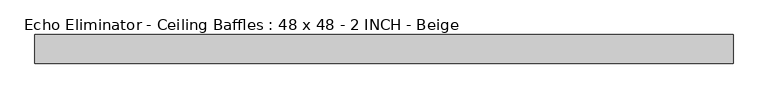
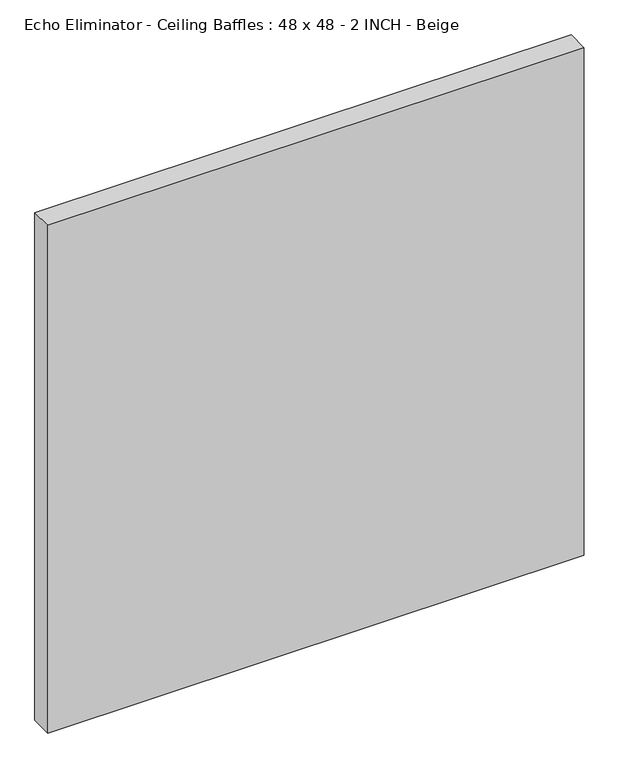
"""IFC4 building model written with IfcOpenShell, lengths in millimetres: proxy geometry, Echo Eliminator - Ceiling Baffles : 48 x 48 - 2 INCH - Beige."""

from ifc_helpers import new_model, si_unit, origin, origin_with_axes, place, context, project, spatial, polyline, outline, extrude, source, transform, mapped, element, save


def echo_eliminator_ceiling_baffles_48_x_48_2_inch_beige_3bc56a94(model_context):
    return source(origin(), model_context, "Body", "SweptSolid", [
        extrude(outline(polyline([(609.6, -50.8), (-609.6, -50.8), (-609.6, 0.0), (609.6, 0.0), (609.6, -50.8)])), origin_with_axes(), (0.0, 0.0, 1.0), 1219.2),
    ])


if __name__ == "__main__":
    model = new_model("IFC4")
    model_context = context("Model", 3, world=origin())
    ifc_project = project(units=[si_unit("LENGTHUNIT", "METRE", prefix="MILLI")], contexts=[model_context])
    site = spatial("IfcSite", under=ifc_project)
    building = spatial("IfcBuilding", under=site)
    placement = place(None, origin())
    echo_eliminator_ceiling_baffles_48_x_48_2_inch_beige_shape = echo_eliminator_ceiling_baffles_48_x_48_2_inch_beige_3bc56a94(model_context)
    element("IfcBuildingElementProxy", 1, Name="Echo Eliminator - Ceiling Baffles : 48 x 48 - 2 INCH - Beige", ObjectType="Echo Eliminator - Ceiling Baffles : 48 x 48 - 2 INCH - Beige", at=placement, inside=building, context=model_context, shape_type="MappedRepresentation", body=[
        mapped(echo_eliminator_ceiling_baffles_48_x_48_2_inch_beige_shape, transform((0.0, 0.0, 0.0), x_axis=(1.0, 0.0, 0.0), y_axis=(0.0, 1.0, 0.0), z_axis=(0.0, 0.0, 1.0))),
    ])
    save(model, "model.ifc")
